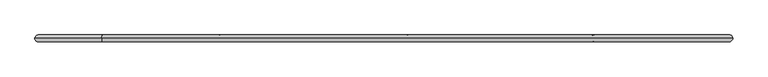
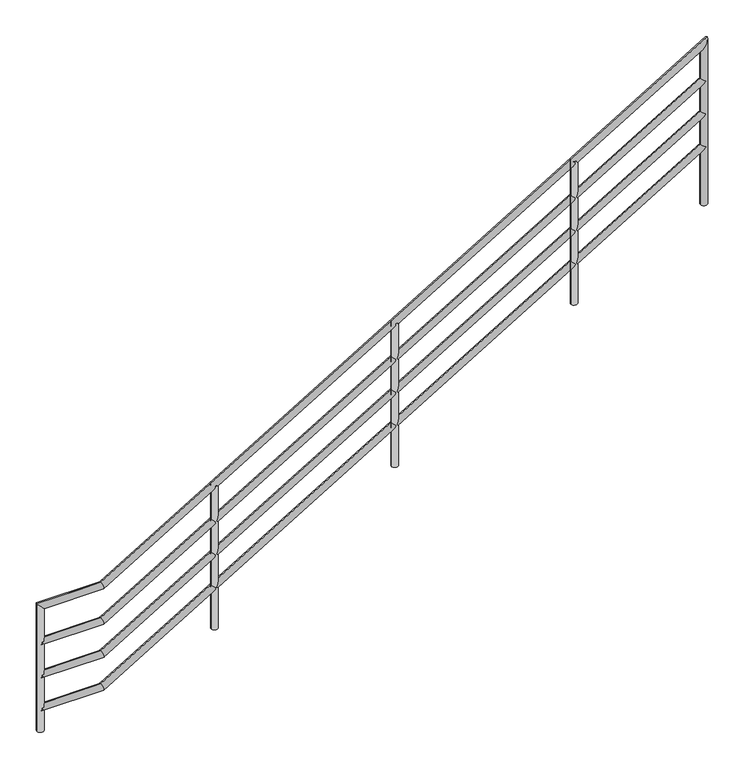
"""IFC4 building model written with IfcOpenShell, lengths in millimetres: railing geometry."""

from ifc_helpers import new_model, si_unit, point, frame, frame_2d, origin, place, context, project, spatial, circle_curve, ellipse_curve, trimmed, segment, composite_curve, outline, extrude, source, transform, mapped, element, save
from ifc_brep_helpers import plane_surface, cylinder_surface, advanced_brep


def railing_39052435(model_context):
    return source(origin(), model_context, "Body", "SolidModel", [
        extrude(outline(composite_curve([segment(trimmed(circle_curve(frame_2d((117948.0613575, 96063.7064034)), 25.0), [point((117973.0613575, 96063.7064034))], [point((117923.0613575, 96063.7064034))], False, "CARTESIAN"), True, "CONTINUOUS"), segment(trimmed(circle_curve(frame_2d((117948.0613575, 96063.7064034)), 25.0), [point((117923.0613575, 96063.7064034))], [point((117973.0613575, 96063.7064034))], False, "CARTESIAN"), True, "CONTINUOUS")], self_intersect=False)), frame((0.0, 0.0, 1982.3528038), z_axis=(0.0, 0.0, 1.0), x_axis=(1.0, 0.0, 0.0)), (0.0, 0.0, 1.0), 1131.8194876),
        extrude(outline(composite_curve([segment(trimmed(circle_curve(frame_2d((116609.6523084, 96063.7064034)), 25.0), [point((116634.6523084, 96063.7064034))], [point((116584.6523084, 96063.7064034))], False, "CARTESIAN"), True, "CONTINUOUS"), segment(trimmed(circle_curve(frame_2d((116609.6523084, 96063.7064034)), 25.0), [point((116584.6523084, 96063.7064034))], [point((116634.6523084, 96063.7064034))], False, "CARTESIAN"), True, "CONTINUOUS")], self_intersect=False)), frame((0.0, 0.0, 1171.4744633), z_axis=(0.0, 0.0, 1.0), x_axis=(1.0, 0.0, 0.0)), (0.0, 0.0, 1.0), 1131.8194876),
        extrude(outline(composite_curve([segment(trimmed(circle_curve(frame_2d((115264.153273, 96063.7064034)), 25.0), [point((115289.153273, 96063.7064034))], [point((115239.153273, 96063.7064034))], False, "CARTESIAN"), True, "CONTINUOUS"), segment(trimmed(circle_curve(frame_2d((115264.153273, 96063.7064034)), 25.0), [point((115239.153273, 96063.7064034))], [point((115289.153273, 96063.7064034))], False, "CARTESIAN"), True, "CONTINUOUS")], self_intersect=False)), frame((0.0, 0.0, 362.0080024), z_axis=(0.0, 0.0, 1.0), x_axis=(1.0, 0.0, 0.0)), (0.0, 0.0, 1.0), 1131.8194876),
        advanced_brep(
        [(113964.5108839, 96063.7064034, 164.3194443), (113964.5108839, 96063.7064034, 214.3194443), (114431.4439975, 96063.7064034, 164.3194443), (114417.5777703, 96063.7064034, 214.3194443), (118928.9434915, 96063.7064034, 2866.6897744), (118903.1915877, 96063.7064034, 2909.5481394)],
        [
            (0, 1, circle_curve(frame((113964.5108839, 96063.7064034, 189.3194443), z_axis=(-1.0, 0.0, 0.0), x_axis=(0.0, 0.0, 1.0)), 25.0)),
            (1, 0, circle_curve(frame((113964.5108839, 96063.7064034, 189.3194443), z_axis=(-1.0, 0.0, 0.0), x_axis=(0.0, 0.0, 1.0)), 25.0)),
            (0, 2),
            (2, 3, ellipse_curve(frame((114424.5108839, 96063.7064034, 189.3194443), z_axis=(-0.9636304532086231, 0.0, -0.2672383760782572), x_axis=(-0.2672383760782561, 0.0, 0.9636304532086232)), 25.9435554, 25.0)),
            (3, 1),
            (3, 2, ellipse_curve(frame((114424.5108839, 96063.7064034, 189.3194443), z_axis=(-0.9636304532086231, 0.0, -0.2672383760782572), x_axis=(-0.2672383760782561, 0.0, 0.9636304532086232)), 25.9435554, 25.0)),
            (2, 4),
            (4, 5, circle_curve(frame((118916.0675396, 96063.7064034, 2888.1189569), z_axis=(-0.857167300702112, 0.0, -0.5150380749100547), x_axis=(-0.5150380749100547, 0.0, 0.857167300702112)), 25.0)),
            (5, 3),
            (5, 4, circle_curve(frame((118916.0675396, 96063.7064034, 2888.1189569), z_axis=(-0.857167300702112, 0.0, -0.5150380749100547), x_axis=(-0.5150380749100547, 0.0, 0.857167300702112)), 25.0)),
        ],
        [
            plane_surface(frame((113964.5108839, 96063.7064034, 189.3194443), z_axis=(-1.0, 0.0, 0.0), x_axis=(0.0, -1.0, 0.0))),
            cylinder_surface(frame((113964.5108839, 96063.7064034, 189.3194443), z_axis=(-1.0, 0.0, 0.0), x_axis=(0.0, 0.0, 1.0)), 25.0),
            cylinder_surface(frame((114424.5108839, 96063.7064034, 189.3194443), z_axis=(-0.857167300702112, 0.0, -0.5150380749100547), x_axis=(-0.5150380749100547, 0.0, 0.857167300702112)), 25.0),
            plane_surface(frame((118916.0675396, 96063.7064034, 2888.1189569), z_axis=(0.8571673007021122, 0.0, 0.5150380749100546), x_axis=(0.0, -1.0, 0.0))),
        ],
        [
            (0, [[1, 2]]),
            (1, [[-1, 3, 4, 5]]),
            (1, [[-2, -5, 6, -3]]),
            (2, [[-4, 7, 8, 9]]),
            (2, [[-6, -9, 10, -7]]),
            (3, [[-10, -8]]),
        ],
    ),
        advanced_brep(
        [(113964.5108839, 96063.7064034, 424.3194443), (113964.5108839, 96063.7064034, 474.3194443), (114431.4439975, 96063.7064034, 424.3194443), (114417.5777703, 96063.7064034, 474.3194443), (118928.9434915, 96063.7064034, 3126.6897744), (118903.1915877, 96063.7064034, 3169.5481394)],
        [
            (0, 1, circle_curve(frame((113964.5108839, 96063.7064034, 449.3194443), z_axis=(-1.0, 0.0, 0.0), x_axis=(0.0, 0.0, 1.0)), 25.0)),
            (1, 0, circle_curve(frame((113964.5108839, 96063.7064034, 449.3194443), z_axis=(-1.0, 0.0, 0.0), x_axis=(0.0, 0.0, 1.0)), 25.0)),
            (0, 2),
            (2, 3, ellipse_curve(frame((114424.5108839, 96063.7064034, 449.3194443), z_axis=(-0.9636304532086231, 0.0, -0.2672383760782572), x_axis=(-0.2672383760782561, 0.0, 0.9636304532086232)), 25.9435554, 25.0)),
            (3, 1),
            (3, 2, ellipse_curve(frame((114424.5108839, 96063.7064034, 449.3194443), z_axis=(-0.9636304532086231, 0.0, -0.2672383760782572), x_axis=(-0.2672383760782561, 0.0, 0.9636304532086232)), 25.9435554, 25.0)),
            (2, 4),
            (4, 5, circle_curve(frame((118916.0675396, 96063.7064034, 3148.1189569), z_axis=(-0.857167300702112, 0.0, -0.5150380749100547), x_axis=(-0.5150380749100547, 0.0, 0.857167300702112)), 25.0)),
            (5, 3),
            (5, 4, circle_curve(frame((118916.0675396, 96063.7064034, 3148.1189569), z_axis=(-0.857167300702112, 0.0, -0.5150380749100547), x_axis=(-0.5150380749100547, 0.0, 0.857167300702112)), 25.0)),
        ],
        [
            plane_surface(frame((113964.5108839, 96063.7064034, 449.3194443), z_axis=(-1.0, 0.0, 0.0), x_axis=(0.0, -1.0, 0.0))),
            cylinder_surface(frame((113964.5108839, 96063.7064034, 449.3194443), z_axis=(-1.0, 0.0, 0.0), x_axis=(0.0, 0.0, 1.0)), 25.0),
            cylinder_surface(frame((114424.5108839, 96063.7064034, 449.3194443), z_axis=(-0.857167300702112, 0.0, -0.5150380749100547), x_axis=(-0.5150380749100547, 0.0, 0.857167300702112)), 25.0),
            plane_surface(frame((118916.0675396, 96063.7064034, 3148.1189569), z_axis=(0.8571673007021122, 0.0, 0.5150380749100546), x_axis=(0.0, -1.0, 0.0))),
        ],
        [
            (0, [[1, 2]]),
            (1, [[-1, 3, 4, 5]]),
            (1, [[-2, -5, 6, -3]]),
            (2, [[-4, 7, 8, 9]]),
            (2, [[-6, -9, 10, -7]]),
            (3, [[-10, -8]]),
        ],
    ),
        advanced_brep(
        [(113964.5108839, 96063.7064034, 684.3194443), (113964.5108839, 96063.7064034, 734.3194443), (114431.4439975, 96063.7064034, 684.3194443), (114417.5777703, 96063.7064034, 734.3194443), (118928.9434915, 96063.7064034, 3386.6897744), (118903.1915877, 96063.7064034, 3429.5481394)],
        [
            (0, 1, circle_curve(frame((113964.5108839, 96063.7064034, 709.3194443), z_axis=(-1.0, 0.0, 0.0), x_axis=(0.0, 0.0, 1.0)), 25.0)),
            (1, 0, circle_curve(frame((113964.5108839, 96063.7064034, 709.3194443), z_axis=(-1.0, 0.0, 0.0), x_axis=(0.0, 0.0, 1.0)), 25.0)),
            (0, 2),
            (2, 3, ellipse_curve(frame((114424.5108839, 96063.7064034, 709.3194443), z_axis=(-0.9636304532086231, 0.0, -0.2672383760782572), x_axis=(-0.2672383760782561, 0.0, 0.9636304532086232)), 25.9435554, 25.0)),
            (3, 1),
            (3, 2, ellipse_curve(frame((114424.5108839, 96063.7064034, 709.3194443), z_axis=(-0.9636304532086231, 0.0, -0.2672383760782572), x_axis=(-0.2672383760782561, 0.0, 0.9636304532086232)), 25.9435554, 25.0)),
            (2, 4),
            (4, 5, circle_curve(frame((118916.0675396, 96063.7064034, 3408.1189569), z_axis=(-0.857167300702112, 0.0, -0.5150380749100547), x_axis=(-0.5150380749100547, 0.0, 0.857167300702112)), 25.0)),
            (5, 3),
            (5, 4, circle_curve(frame((118916.0675396, 96063.7064034, 3408.1189569), z_axis=(-0.857167300702112, 0.0, -0.5150380749100547), x_axis=(-0.5150380749100547, 0.0, 0.857167300702112)), 25.0)),
        ],
        [
            plane_surface(frame((113964.5108839, 96063.7064034, 709.3194443), z_axis=(-1.0, 0.0, 0.0), x_axis=(0.0, -1.0, 0.0))),
            cylinder_surface(frame((113964.5108839, 96063.7064034, 709.3194443), z_axis=(-1.0, 0.0, 0.0), x_axis=(0.0, 0.0, 1.0)), 25.0),
            cylinder_surface(frame((114424.5108839, 96063.7064034, 709.3194443), z_axis=(-0.857167300702112, 0.0, -0.5150380749100547), x_axis=(-0.5150380749100547, 0.0, 0.857167300702112)), 25.0),
            plane_surface(frame((118916.0675396, 96063.7064034, 3408.1189569), z_axis=(0.8571673007021122, 0.0, 0.5150380749100546), x_axis=(0.0, -1.0, 0.0))),
        ],
        [
            (0, [[1, 2]]),
            (1, [[-1, 3, 4, 5]]),
            (1, [[-2, -5, 6, -3]]),
            (2, [[-4, 7, 8, 9]]),
            (2, [[-6, -9, 10, -7]]),
            (3, [[-10, -8]]),
        ],
    ),
        advanced_brep(
        [(113989.5108839, 96063.7064034, 9.3194443), (113939.5108839, 96063.7064034, 9.3194443), (113989.5108839, 96063.7064034, 964.3194443), (113939.5108839, 96063.7064034, 1014.3194443), (114431.4439975, 96063.7064034, 964.3194443), (114417.5777703, 96063.7064034, 1014.3194443), (118891.0675396, 96063.7064034, 3643.9316065), (118941.0675396, 96063.7064034, 3732.3063073), (118891.0675396, 96063.7064034, 2428.1189569), (118941.0675396, 96063.7064034, 2428.1189569)],
        [
            (0, 1, circle_curve(frame((113964.5108839, 96063.7064034, 9.3194443), z_axis=(0.0, 0.0, -1.0), x_axis=(-1.0, 0.0, 0.0)), 25.0)),
            (1, 0, circle_curve(frame((113964.5108839, 96063.7064034, 9.3194443), z_axis=(0.0, 0.0, -1.0), x_axis=(-1.0, 0.0, 0.0)), 25.0)),
            (0, 2),
            (2, 3, ellipse_curve(frame((113964.5108839, 96063.7064034, 989.3194443), z_axis=(-0.7071067811865475, 0.0, -0.7071067811865475), x_axis=(0.7071067811865474, 0.0, -0.7071067811865476)), 35.3553391, 25.0)),
            (3, 1),
            (3, 2, ellipse_curve(frame((113964.5108839, 96063.7064034, 989.3194443), z_axis=(-0.7071067811865475, 0.0, -0.7071067811865475), x_axis=(0.7071067811865474, 0.0, -0.7071067811865476)), 35.3553391, 25.0)),
            (2, 4),
            (4, 5, ellipse_curve(frame((114424.5108839, 96063.7064034, 989.3194443), z_axis=(-0.9636304532086231, 0.0, -0.2672383760782572), x_axis=(-0.2672383760782561, 0.0, 0.9636304532086232)), 25.9435554, 25.0)),
            (5, 3),
            (5, 4, ellipse_curve(frame((114424.5108839, 96063.7064034, 989.3194443), z_axis=(-0.9636304532086231, 0.0, -0.2672383760782572), x_axis=(-0.2672383760782561, 0.0, 0.9636304532086232)), 25.9435554, 25.0)),
            (4, 6),
            (6, 7, ellipse_curve(frame((118916.0675396, 96063.7064034, 3688.1189569), z_axis=(-0.8703556959398997, 0.0, 0.49242356010346683), x_axis=(-0.492423560103467, 0.0, -0.8703556959398997)), 50.7693011, 25.0)),
            (7, 5),
            (7, 6, ellipse_curve(frame((118916.0675396, 96063.7064034, 3688.1189569), z_axis=(-0.8703556959398997, 0.0, 0.49242356010346683), x_axis=(-0.492423560103467, 0.0, -0.8703556959398997)), 50.7693011, 25.0)),
            (8, 9, circle_curve(frame((118916.0675396, 96063.7064034, 2428.1189569), z_axis=(0.0, 0.0, -1.0), x_axis=(1.0, 0.0, 0.0)), 25.0)),
            (9, 8, circle_curve(frame((118916.0675396, 96063.7064034, 2428.1189569), z_axis=(0.0, 0.0, -1.0), x_axis=(1.0, 0.0, 0.0)), 25.0)),
            (6, 8),
            (9, 7),
        ],
        [
            plane_surface(frame((113964.5108839, 96063.7064034, 9.3194443), z_axis=(0.0, 0.0, -1.0), x_axis=(0.0, -1.0, 0.0))),
            cylinder_surface(frame((113964.5108839, 96063.7064034, 9.3194443), z_axis=(0.0, 0.0, -1.0), x_axis=(-1.0, 0.0, 0.0)), 25.0),
            cylinder_surface(frame((113964.5108839, 96063.7064034, 989.3194443), z_axis=(-1.0, 0.0, 0.0), x_axis=(0.0, 0.0, 1.0)), 25.0),
            cylinder_surface(frame((114424.5108839, 96063.7064034, 989.3194443), z_axis=(-0.857167300702112, 0.0, -0.5150380749100547), x_axis=(-0.5150380749100547, 0.0, 0.857167300702112)), 25.0),
            plane_surface(frame((118916.0675396, 96063.7064034, 2428.1189569), z_axis=(0.0, 0.0, -1.0), x_axis=(0.0, -1.0, 0.0))),
            cylinder_surface(frame((118916.0675396, 96063.7064034, 3688.1189569), z_axis=(0.0, 0.0, 1.0), x_axis=(1.0, 0.0, 0.0)), 25.0),
        ],
        [
            (0, [[1, 2]]),
            (1, [[-1, 3, 4, 5]]),
            (1, [[-2, -5, 6, -3]]),
            (2, [[-4, 7, 8, 9]]),
            (2, [[-6, -9, 10, -7]]),
            (3, [[-8, 11, 12, 13]]),
            (3, [[-10, -13, 14, -11]]),
            (4, [[15, 16]]),
            (5, [[-12, 17, -16, 18]]),
            (5, [[-14, -18, -15, -17]]),
        ],
    ),
    ])


if __name__ == "__main__":
    model = new_model("IFC4")
    model_context = context("Model", 3, world=origin())
    ifc_project = project(units=[si_unit("LENGTHUNIT", "METRE", prefix="MILLI")], contexts=[model_context])
    site = spatial("IfcSite", under=ifc_project)
    building = spatial("IfcBuilding", under=site)
    placement = place(None, origin())
    railing_shape = railing_39052435(model_context)
    element("IfcRailing", 1, at=placement, inside=building, context=model_context, shape_type="MappedRepresentation", body=[
        mapped(railing_shape, transform((0.0, 0.0, 0.0), x_axis=(1.0, 0.0, 0.0), y_axis=(0.0, 1.0, 0.0), z_axis=(0.0, 0.0, 1.0))),
    ])
    save(model, "model.ifc")
